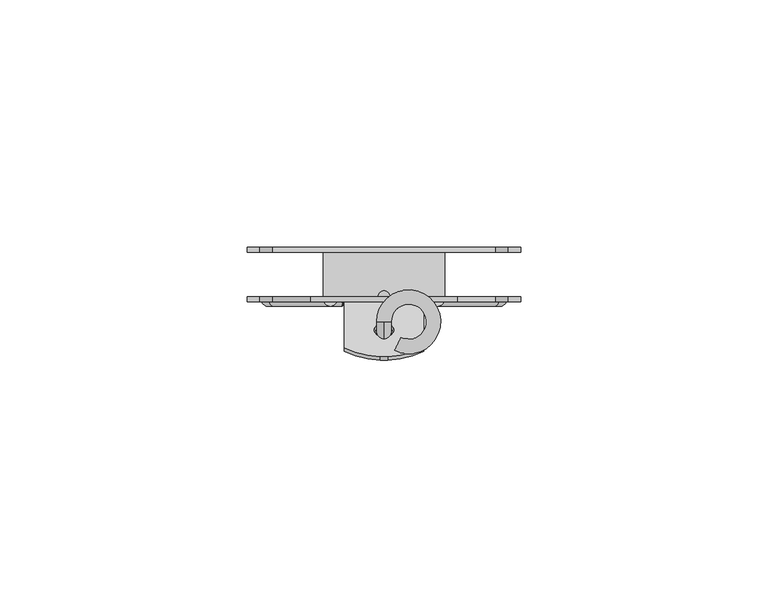
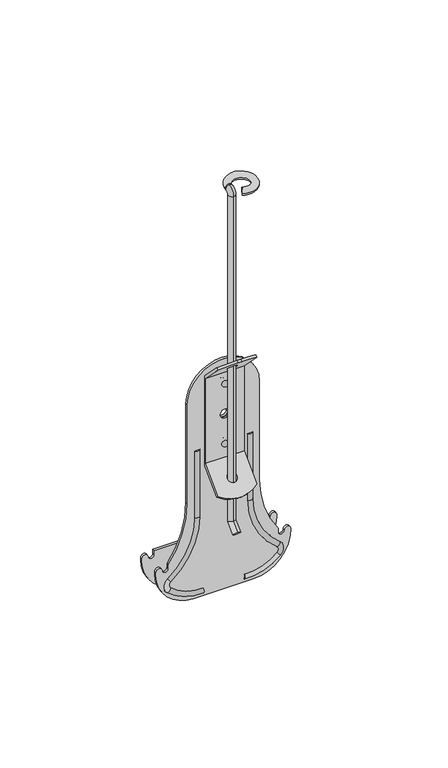
"""IFC4 building model written with IfcOpenShell, lengths in millimetres: proxy geometry."""

import ifcopenshell
import ifcopenshell.guid

model = None  # the IFC model being written
_history = None  # IfcOwnerHistory: only IFC2X3 demands one
_inside = {}  # id of a spatial element -> (the spatial element, [elements in it])
_under = {}  # id of a project, library or spatial element -> (it, [spatial elements below it])
_declared = {}  # id of a project -> (the project, [libraries it declares])
_typed = {}  # id of a type object -> (the type object, [elements of that type])
_made_of = {}  # id of a material, layer set ... -> (it, [elements and type objects made of it])


def new_model(schema):
    """Start an empty IFC model of exactly this schema.

    Asked for "IFC4X3", IfcOpenShell would pick the latest addendum, in which some entities
    have other attributes; the version numbers below select the first issue.
    IFC2X3 requires an IfcOwnerHistory on every rooted entity: one is made here for all.
    """
    global model, _history
    if schema == "IFC4X3":
        model = ifcopenshell.file(schema_version=(4, 3, 0, 0))
    else:
        model = ifcopenshell.file(schema=schema)
    _inside.clear()
    _under.clear()
    _declared.clear()
    _typed.clear()
    _made_of.clear()
    _history = None
    if model.schema == "IFC2X3":
        org = make("IfcOrganization", Name="unknown")
        user = make(
            "IfcPersonAndOrganization",
            ThePerson=make("IfcPerson", FamilyName="unknown"),
            TheOrganization=org,
        )
        app = make(
            "IfcApplication",
            ApplicationDeveloper=org,
            Version="unknown",
            ApplicationFullName="unknown",
            ApplicationIdentifier="unknown",
        )
        _history = make(
            "IfcOwnerHistory",
            OwningUser=user,
            OwningApplication=app,
            ChangeAction="ADDED",
            CreationDate=0,
        )
    return model


def make(cls, **values):
    """One entity of the class cls with the attributes given. An attribute that is None is left unset."""
    return model.create_entity(
        cls, **{name: value for name, value in values.items() if value is not None}
    )


def rooted(cls, **values):
    """An entity with a GlobalId (a new one), such as an element, a storey or a relation."""
    return make(cls, GlobalId=ifcopenshell.guid.new(), OwnerHistory=_history, **values)


def si_unit(unit_type, name, prefix=None):
    """IfcSIUnit, for example si_unit("LENGTHUNIT", "METRE", prefix="MILLI")."""
    return make("IfcSIUnit", UnitType=unit_type, Prefix=prefix, Name=name)


def assignment(units):
    """IfcUnitAssignment: the units of a project."""
    return None if units is None else make("IfcUnitAssignment", Units=units)


def point(xyz):
    """IfcCartesianPoint."""
    return None if xyz is None else make("IfcCartesianPoint", Coordinates=xyz)


def direction(xyz):
    """IfcDirection."""
    return None if xyz is None else make("IfcDirection", DirectionRatios=xyz)


def frame(location, z_axis=None, x_axis=None):
    """IfcAxis2Placement3D, a coordinate frame: its origin and axes. An axis left out is left unset."""
    return make(
        "IfcAxis2Placement3D",
        Location=point(location),
        Axis=direction(z_axis),
        RefDirection=direction(x_axis),
    )


def origin():
    """The frame at (0, 0, 0) with its axes left unset."""
    return frame((0.0, 0.0, 0.0))


def place(relative_to, where):
    """IfcLocalPlacement: puts the frame where relative to a parent placement (None: the world)."""
    return make(
        "IfcLocalPlacement", PlacementRelTo=relative_to, RelativePlacement=where
    )


def context(
    kind, dimensions, precision=None, world=None, true_north=None, identifier=None
):
    """IfcGeometricRepresentationContext, for example the 3D "Model" context."""
    return make(
        "IfcGeometricRepresentationContext",
        ContextIdentifier=identifier,
        ContextType=kind,
        CoordinateSpaceDimension=dimensions,
        Precision=precision,
        WorldCoordinateSystem=world,
        TrueNorth=true_north,
    )


def project(units=None, contexts=None):
    """IfcProject with its units and contexts."""
    return rooted(
        "IfcProject",
        Name="project",
        RepresentationContexts=contexts,
        UnitsInContext=assignment(units),
    )


def spatial(cls, under=None, at=None, **own):
    """A site, building, storey or space (cls), placed at a placement, below another one or the project."""
    s = rooted(cls, ObjectPlacement=at, **own)
    if under is not None:
        _under.setdefault(under.id(), (under, []))[1].append(s)
    return s


def polyline(points):
    """IfcPolyline through the points."""
    return make("IfcPolyline", Points=[point(p) for p in points])


def circle_curve(where, radius):
    """IfcCircle in the frame where."""
    return make("IfcCircle", Position=where, Radius=radius)


def ellipse_curve(where, semi_axis1, semi_axis2):
    """IfcEllipse in the frame where."""
    return make(
        "IfcEllipse", Position=where, SemiAxis1=semi_axis1, SemiAxis2=semi_axis2
    )


def trimmed(basis, trim1, trim2, sense, master):
    """IfcTrimmedCurve: the piece of a basis curve between two trims."""
    return make(
        "IfcTrimmedCurve",
        BasisCurve=basis,
        Trim1=trim1,
        Trim2=trim2,
        SenseAgreement=sense,
        MasterRepresentation=master,
    )


def shape(context_of_items, identifier, shape_type, items):
    """IfcShapeRepresentation: the items that make up one representation, for example the "Body"."""
    return make(
        "IfcShapeRepresentation",
        ContextOfItems=context_of_items,
        RepresentationIdentifier=identifier,
        RepresentationType=shape_type,
        Items=items,
    )


def source(mapping_origin, context_of_items, identifier, shape_type, items):
    """IfcRepresentationMap: a shape defined once, which mapped items show again and again."""
    return make(
        "IfcRepresentationMap",
        MappingOrigin=mapping_origin,
        MappedRepresentation=shape(context_of_items, identifier, shape_type, items),
    )


def transform(
    local_origin,
    x_axis=None,
    y_axis=None,
    z_axis=None,
    scale=None,
    scale2=None,
    scale3=None,
    uniform=True,
):
    """IfcCartesianTransformationOperator3D, or its non-uniform kind. x_axis, y_axis, z_axis: its Axis1, 2, 3."""
    if uniform:
        return make(
            "IfcCartesianTransformationOperator3D",
            Axis1=direction(x_axis),
            Axis2=direction(y_axis),
            LocalOrigin=point(local_origin),
            Scale=scale,
            Axis3=direction(z_axis),
        )
    return make(
        "IfcCartesianTransformationOperator3DnonUniform",
        Axis1=direction(x_axis),
        Axis2=direction(y_axis),
        LocalOrigin=point(local_origin),
        Scale=scale,
        Axis3=direction(z_axis),
        Scale2=scale2,
        Scale3=scale3,
    )


def mapped(mapping_source, mapping_target):
    """IfcMappedItem: shows the shape of a source again, moved by a transform."""
    return make(
        "IfcMappedItem", MappingSource=mapping_source, MappingTarget=mapping_target
    )


def made_of(thing, what):
    """Note that an element or type object is made of a material, layer set ...; save() writes the relation."""
    if what is not None:
        _made_of.setdefault(what.id(), (what, []))[1].append(thing)
    return thing


def element(
    cls,
    number,
    at=None,
    inside=None,
    cuts=None,
    type_object=None,
    material=None,
    context=None,
    identifier="Body",
    shape_type=None,
    held_by="IfcProductDefinitionShape",
    body=None,
    shapes=None,
    **own,
):
    """One element of the class cls, such as IfcWall. Its Tag is "e" and its number.

    at: its placement. inside: the storey or other place that contains it. cuts: it is an
    opening in that element (IfcRelVoidsElement). A single representation is given by context,
    identifier, shape_type and body (its items); several are given by shapes. held_by: the class
    of the entity that holds the representations. save() writes the other relations.
    """
    e = rooted(cls, Tag="e%d" % number, ObjectPlacement=at, **own)
    if body is not None:
        shapes = [shape(context, identifier, shape_type, body)]
    if shapes is not None:
        e.Representation = make(held_by, Representations=shapes)
    if inside is not None:
        _inside.setdefault(inside.id(), (inside, []))[1].append(e)
    if cuts is not None:
        rooted(
            "IfcRelVoidsElement", RelatingBuildingElement=cuts, RelatedOpeningElement=e
        )
    if type_object is not None:
        _typed.setdefault(type_object.id(), (type_object, []))[1].append(e)
    return made_of(e, material)


def aggregate(whole, parts):
    """IfcRelAggregates: a whole, such as a stair, and the parts it consists of."""
    return rooted("IfcRelAggregates", RelatingObject=whole, RelatedObjects=parts)


def save(model, path):
    """Write the relations noted so far, then the file.

    IfcRelAggregates (storeys below a building ...), IfcRelContainedInSpatialStructure (elements
    in a storey), IfcRelDefinesByType, IfcRelAssociatesMaterial and IfcRelDeclares: one each for
    every whole, place, type object, material and project.
    """
    for whole, parts in _under.values():
        aggregate(whole, parts)
    for where, things in _inside.values():
        rooted(
            "IfcRelContainedInSpatialStructure",
            RelatedElements=things,
            RelatingStructure=where,
        )
    for kind, things in _typed.values():
        rooted("IfcRelDefinesByType", RelatedObjects=things, RelatingType=kind)
    for what, things in _made_of.values():
        rooted("IfcRelAssociatesMaterial", RelatedObjects=things, RelatingMaterial=what)
    for by, libraries in _declared.values():
        rooted("IfcRelDeclares", RelatingContext=by, RelatedDefinitions=libraries)
    model.write(path)


def plane_surface(at):
    """IfcPlane: the flat surface through the origin of the frame at, square to its z axis."""
    return make("IfcPlane", Position=at)


def cylinder_surface(at, radius):
    """IfcCylindricalSurface: all points at the distance radius from the z axis of the frame at."""
    return make("IfcCylindricalSurface", Position=at, Radius=radius)


def revolved_surface(curve, axis_point, axis_direction):
    """IfcSurfaceOfRevolution: the curve turned about the line through axis_point along axis_direction."""
    return make(
        "IfcSurfaceOfRevolution",
        SweptCurve=make("IfcArbitraryOpenProfileDef", ProfileType="CURVE", Curve=curve),
        AxisPosition=make("IfcAxis1Placement", Location=point(axis_point), Axis=direction(axis_direction)),
    )


def advanced_brep(points, edges, surfaces, faces):
    """IfcAdvancedBrep: a solid bounded by faces that lie on surfaces and meet in shared edges.

    An edge is (start, end): straight between two places in points (the first is 0);
    or (start, end, curve); or (start, end, curve, False) where it runs against its curve.
    A face is (place in surfaces, loops), or (place, loops, False) where it looks against
    its surface's normal. A loop lists edges by number (the first is 1), with a minus sign
    where the edge is run from its end to its start. The first loop is the outer one.
    """
    corners = [point(p) for p in points]
    vertices = [make("IfcVertexPoint", VertexGeometry=c) for c in corners]
    made = []
    for start, end, *more in edges:
        made.append(
            make(
                "IfcEdgeCurve",
                EdgeStart=vertices[start],
                EdgeEnd=vertices[end],
                EdgeGeometry=more[0] if more else make("IfcPolyline", Points=[corners[start], corners[end]]),
                SameSense=more[1] if len(more) > 1 else True,
            )
        )
    hull = []
    for where, loops, *sense in faces:
        bounds = []
        for j, loop in enumerate(loops):
            ring = [make("IfcOrientedEdge", EdgeElement=made[abs(k) - 1], Orientation=k > 0) for k in loop]
            bounds.append(
                make(
                    "IfcFaceOuterBound" if j == 0 else "IfcFaceBound",
                    Bound=make("IfcEdgeLoop", EdgeList=ring),
                    Orientation=True,
                )
            )
        hull.append(make("IfcAdvancedFace", Bounds=bounds, FaceSurface=surfaces[where], SameSense=sense[0] if sense else True))
    return make("IfcAdvancedBrep", Outer=make("IfcClosedShell", CfsFaces=hull))


def generic_models_5f2788f5(model_context):
    return source(origin(), model_context, "Body", "AdvancedBrep", [
        advanced_brep(
        [(1.4615158, -4.5763756, 158.5411196), (-1.4562451, -4.5763756, 158.5411196), (3.4485103, -7.758234, 158.5411196), (2.1679647, -10.3799761, 158.5411196)],
        [
            (0, 1, circle_curve(frame((0.0026354, -4.5763756, 158.5411196), z_axis=(0.0, -1.0, 0.0), x_axis=(-1.0, 0.0, 0.0)), 1.4588804)),
            (1, 0, circle_curve(frame((0.0026354, -4.5763756, 158.5411196), z_axis=(0.0, -1.0, 0.0), x_axis=(-1.0, 0.0, 0.0)), 1.4588804)),
            (2, 3, circle_curve(frame((2.8082375, -9.069105, 158.5411196), z_axis=(-0.898545892359539, 0.4388795726891374, 0.0), x_axis=(-0.4388795726891374, -0.898545892359539, 0.0)), 1.4588804)),
            (3, 2, circle_curve(frame((2.8082375, -9.069105, 158.5411196), z_axis=(-0.898545892359539, 0.4388795726891374, 0.0), x_axis=(-0.4388795726891374, -0.898545892359539, 0.0)), 1.4588804)),
            (3, 1, circle_curve(frame((5.0026354, -4.5763756, 158.5411196), z_axis=(0.0, 0.0, 1.0), x_axis=(-1.0, 0.0, 0.0)), 6.4588804)),
            (0, 2, circle_curve(frame((5.0026354, -4.5763756, 158.5411196), z_axis=(0.0, 0.0, -1.0), x_axis=(-1.0, 0.0, 0.0)), 3.5411196)),
        ],
        [
            plane_surface(frame((0.0026354, -4.5763756, 160.0), z_axis=(0.0, -1.0, 0.0), x_axis=(0.0, 0.0, 1.0))),
            plane_surface(frame((2.8082375, -9.069105, 160.0), z_axis=(-0.8985458923595391, 0.4388795726891375, 0.0), x_axis=(0.0, 0.0, 1.0))),
            revolved_surface(trimmed(ellipse_curve(frame((0.0026354, -4.5763756, 158.5411196), z_axis=(0.0, -1.0, 0.0), x_axis=(-1.0, 0.0, 0.0)), 1.4588804, 1.4588804), [point((1.4615158, -4.5763756, 158.5411196))], [point((-1.4562451, -4.5763756, 158.5411196))], True, "CARTESIAN"), (5.0026354, -4.5763756, 160.0), (0.0, 0.0, -1.0)),
            revolved_surface(trimmed(ellipse_curve(frame((0.0026354, -4.5763756, 158.5411196), z_axis=(0.0, -1.0, 0.0), x_axis=(-1.0, 0.0, 0.0)), 1.4588804, 1.4588804), [point((-1.4562451, -4.5763756, 158.5411196))], [point((1.4615158, -4.5763756, 158.5411196))], True, "CARTESIAN"), (5.0026354, -4.5763756, 160.0), (0.0, 0.0, -1.0)),
        ],
        [
            (0, [[1, 2]]),
            (1, [[3, 4]]),
            (2, [[5, -1, 6, -4]]),
            (3, [[-6, -2, -5, -3]]),
        ],
    ),
        advanced_brep(
        [(0.0, -9.0821887, 10.4347453), (0.0, -11.1416303, 12.4941869), (0.0, -5.1201305, 14.3968035), (0.0, -8.0326207, 15.6031965), (0.0, -5.1201305, 156.5), (0.0, -8.0326207, 156.5), (0.0, -4.5763756, 157.0437549), (0.0, -4.5763756, 159.9562451)],
        [
            (0, 1, circle_curve(frame((0.0, -10.1119095, 11.4644661), z_axis=(0.0, -0.7071067811865482, -0.7071067811865469), x_axis=(0.0, -0.7071067811865469, 0.7071067811865482)), 1.4562451)),
            (1, 0, circle_curve(frame((0.0, -10.1119095, 11.4644661), z_axis=(0.0, -0.7071067811865482, -0.7071067811865469), x_axis=(0.0, -0.7071067811865469, 0.7071067811865482)), 1.4562451)),
            (0, 2),
            (2, 3, ellipse_curve(frame((0.0, -6.5763756, 15.0), z_axis=(0.0, -0.3826834323650901, -0.9238795325112865), x_axis=(0.0, -0.923879532511287, 0.3826834323650897)), 1.5762283, 1.4562451)),
            (3, 1),
            (3, 2, ellipse_curve(frame((0.0, -6.5763756, 15.0), z_axis=(0.0, -0.3826834323650901, -0.9238795325112865), x_axis=(0.0, -0.923879532511287, 0.3826834323650897)), 1.5762283, 1.4562451)),
            (2, 4),
            (4, 5, circle_curve(frame((0.0, -6.5763756, 156.5), z_axis=(0.0, 0.0, -1.0), x_axis=(0.0, -1.0, 0.0)), 1.4562451)),
            (5, 3),
            (5, 4, circle_curve(frame((0.0, -6.5763756, 156.5), z_axis=(0.0, 0.0, -1.0), x_axis=(0.0, -1.0, 0.0)), 1.4562451)),
            (6, 7, circle_curve(frame((0.0, -4.5763756, 158.5), z_axis=(0.0, 1.0, 0.0), x_axis=(0.0, 0.0, 1.0)), 1.4562451)),
            (7, 6, circle_curve(frame((0.0, -4.5763756, 158.5), z_axis=(0.0, 1.0, 0.0), x_axis=(0.0, 0.0, 1.0)), 1.4562451)),
            (7, 5, circle_curve(frame((0.0, -4.5763756, 156.5), z_axis=(1.0, 0.0, 0.0), x_axis=(0.0, -1.0, 0.0)), 3.4562451)),
            (4, 6, circle_curve(frame((0.0, -4.5763756, 156.5), z_axis=(-1.0, 0.0, 0.0), x_axis=(0.0, -1.0, 0.0)), 0.5437549)),
        ],
        [
            plane_surface(frame((0.0, -10.1119095, 11.4644661), z_axis=(0.0, -0.7071067811865482, -0.7071067811865469), x_axis=(1.0, 0.0, 0.0))),
            cylinder_surface(frame((0.0, -10.1119095, 11.4644661), z_axis=(0.0, -0.7071067811865482, -0.7071067811865469), x_axis=(0.0, -0.7071067811865469, 0.7071067811865482)), 1.4562451),
            cylinder_surface(frame((0.0, -6.5763756, 15.0), z_axis=(0.0, 0.0, -1.0), x_axis=(0.0, -1.0, 0.0)), 1.4562451),
            plane_surface(frame((0.0, -4.5763756, 158.5), z_axis=(0.0, 1.0, 0.0), x_axis=(1.0, 0.0, 0.0))),
            revolved_surface(trimmed(ellipse_curve(frame((0.0, -6.5763756, 156.5), z_axis=(0.0, 0.0, -1.0), x_axis=(0.0, -1.0, 0.0)), 1.4562451, 1.4562451), [point((0.0, -5.1201305, 156.5))], [point((0.0, -8.0326207, 156.5))], True, "CARTESIAN"), (0.0, -4.5763756, 156.5), (-1.0, 0.0, 0.0)),
            revolved_surface(trimmed(ellipse_curve(frame((0.0, -6.5763756, 156.5), z_axis=(0.0, 0.0, -1.0), x_axis=(0.0, -1.0, 0.0)), 1.4562451, 1.4562451), [point((0.0, -8.0326207, 156.5))], [point((0.0, -5.1201305, 156.5))], True, "CARTESIAN"), (0.0, -4.5763756, 156.5), (-1.0, 0.0, 0.0)),
        ],
        [
            (0, [[1, 2]]),
            (1, [[-1, 3, 4, 5]]),
            (1, [[-2, -5, 6, -3]]),
            (2, [[-4, 7, 8, 9]]),
            (2, [[-6, -9, 10, -7]]),
            (3, [[11, 12]]),
            (4, [[13, -8, 14, -12]]),
            (5, [[-14, -10, -13, -11]]),
        ],
    ),
        advanced_brep(
        [(12.3125406, 0.5, -18.3083515), (12.3125406, 9.5, -18.3083515), (12.3125406, 9.5, -17.3083515), (12.3125406, 0.5, -17.3083515), (-12.3125406, 9.5, -17.3083515), (-12.3125406, 0.5, -17.3083515), (-12.3125406, 9.5, -18.3083515), (-12.3125406, 0.5, -18.3083515), (12.3125406, -0.5, -18.3083515), (-12.3125406, -0.5, -18.3083515), (-12.3125406, 10.5, -18.3083515), (12.3125406, 10.5, -18.3083515), (-14.8079038, -0.5, 23.7764129), (-22.5333287, -0.5, 0.0), (-22.5333287, -0.5, -1.7519095), (-25.1521363, -0.5, -1.7519095), (-27.659329, -0.5, -1.7519095), (-27.659329, -0.5, -2.7244637), (27.659329, -0.5, -2.7244637), (27.659329, -0.5, -1.7519095), (25.1521363, -0.5, -1.7519095), (22.5333287, -0.5, -1.7519095), (22.5333287, -0.5, 0.0), (14.8079038, -0.5, 23.7764129), (14.8079038, -0.5, 66.6922037), (-14.8079038, -0.5, 66.6922037), (-1.8679865, -0.5, 58.4017665), (1.8679865, -0.5, 58.4017665), (-14.8079038, 0.5, 23.7764129), (-14.8079038, 0.5, 66.6922037), (14.8079038, 0.5, 66.6922037), (14.8079038, 0.5, 23.7764129), (22.5333287, 0.5, 0.0), (22.5333287, 0.5, -1.7519095), (25.1521363, 0.5, -1.7519095), (27.659329, 0.5, -1.7519095), (27.659329, 0.5, -2.7244637), (-27.659329, 0.5, -2.7244637), (-27.659329, 0.5, -1.7519095), (-25.1521363, 0.5, -1.7519095), (-22.5333287, 0.5, -1.7519095), (-22.5333287, 0.5, 0.0), (-1.8679865, 0.5, 58.4017665), (1.8679865, 0.5, 58.4017665), (-22.5333287, 9.5, -1.7519095), (-25.1521363, 9.5, -1.7519095), (-27.659329, 9.5, -1.7519095), (-27.659329, 9.5, -2.7244637), (27.659329, 9.5, -2.7244637), (27.659329, 9.5, -1.7519095), (25.1521363, 9.5, -1.7519095), (22.5333287, 9.5, -1.7519095), (22.5333287, 9.5, 0.0), (-22.5333287, 9.5, 0.0), (-22.5333287, 10.5, -1.7519095), (-22.5333287, 10.5, 0.0), (22.5333287, 10.5, 0.0), (22.5333287, 10.5, -1.7519095), (25.1521363, 10.5, -1.7519095), (27.659329, 10.5, -1.7519095), (27.659329, 10.5, -2.7244637), (-27.659329, 10.5, -2.7244637), (-27.659329, 10.5, -1.7519095), (-25.1521363, 10.5, -1.7519095)],
        [
            (0, 1),
            (1, 2),
            (2, 3),
            (3, 0),
            (2, 4),
            (4, 5),
            (5, 3),
            (4, 6),
            (6, 7),
            (7, 5),
            (0, 8),
            (8, 9),
            (9, 7),
            (6, 10),
            (10, 11),
            (11, 1),
            (12, 13, circle_curve(frame((-55.2587535, -0.5, 23.7764129), z_axis=(0.0, 1.0, 0.0), x_axis=(1.0, 0.0, 0.0)), 40.4508497)),
            (13, 14),
            (14, 15, circle_curve(frame((-23.8427325, -0.5, -1.7519095), z_axis=(0.0, 1.0, 0.0), x_axis=(1.0, 0.0, 0.0)), 1.3094038)),
            (15, 16, circle_curve(frame((-26.4057327, -0.5, -1.7519095), z_axis=(0.0, -1.0, 0.0), x_axis=(1.0, 0.0, 0.0)), 1.2535963)),
            (16, 17),
            (17, 9, circle_curve(frame((-12.0736096, -0.5, -2.7244637), z_axis=(0.0, -1.0, 0.0), x_axis=(1.0, 0.0, 0.0)), 15.5857194)),
            (8, 18, circle_curve(frame((12.0736096, -0.5, -2.7244637), z_axis=(0.0, -1.0, 0.0), x_axis=(-1.0, 0.0, 0.0)), 15.5857194)),
            (18, 19),
            (19, 20, circle_curve(frame((26.4057327, -0.5, -1.7519095), z_axis=(0.0, -1.0, 0.0), x_axis=(-1.0, 0.0, 0.0)), 1.2535963)),
            (20, 21, circle_curve(frame((23.8427325, -0.5, -1.7519095), z_axis=(0.0, 1.0, 0.0), x_axis=(-1.0, 0.0, 0.0)), 1.3094038)),
            (21, 22),
            (22, 23, circle_curve(frame((55.2587535, -0.5, 23.7764129), z_axis=(0.0, 1.0, 0.0), x_axis=(1.0, 0.0, 0.0)), 40.4508497)),
            (23, 24),
            (24, 25, circle_curve(frame((0.0, -0.5, 66.6922037), z_axis=(0.0, -1.0, 0.0), x_axis=(1.0, 0.0, 0.0)), 14.8079038)),
            (25, 12),
            (26, 27, circle_curve(frame((0.0, -0.5, 58.4017665), z_axis=(0.0, 1.0, 0.0), x_axis=(1.0, 0.0, 0.0)), 1.8679865)),
            (27, 26, circle_curve(frame((0.0, -0.5, 58.4017665), z_axis=(0.0, 1.0, 0.0), x_axis=(1.0, 0.0, 0.0)), 1.8679865)),
            (28, 29),
            (29, 30, circle_curve(frame((0.0, 0.5, 66.6922037), z_axis=(0.0, 1.0, 0.0), x_axis=(1.0, 0.0, 0.0)), 14.8079038)),
            (30, 31),
            (31, 32, circle_curve(frame((55.2587535, 0.5, 23.7764129), z_axis=(0.0, -1.0, 0.0), x_axis=(1.0, 0.0, 0.0)), 40.4508497)),
            (32, 33),
            (33, 34, circle_curve(frame((23.8427325, 0.5, -1.7519095), z_axis=(0.0, -1.0, 0.0), x_axis=(-1.0, 0.0, 0.0)), 1.3094038)),
            (34, 35, circle_curve(frame((26.4057327, 0.5, -1.7519095), z_axis=(0.0, 1.0, 0.0), x_axis=(-1.0, 0.0, 0.0)), 1.2535963)),
            (35, 36),
            (36, 0, circle_curve(frame((12.0736096, 0.5, -2.7244637), z_axis=(0.0, 1.0, 0.0), x_axis=(-1.0, 0.0, 0.0)), 15.5857194)),
            (7, 37, circle_curve(frame((-12.0736096, 0.5, -2.7244637), z_axis=(0.0, 1.0, 0.0), x_axis=(1.0, 0.0, 0.0)), 15.5857194)),
            (37, 38),
            (38, 39, circle_curve(frame((-26.4057327, 0.5, -1.7519095), z_axis=(0.0, 1.0, 0.0), x_axis=(1.0, 0.0, 0.0)), 1.2535963)),
            (39, 40, circle_curve(frame((-23.8427325, 0.5, -1.7519095), z_axis=(0.0, -1.0, 0.0), x_axis=(1.0, 0.0, 0.0)), 1.3094038)),
            (40, 41),
            (41, 28, circle_curve(frame((-55.2587535, 0.5, 23.7764129), z_axis=(0.0, -1.0, 0.0), x_axis=(1.0, 0.0, 0.0)), 40.4508497)),
            (42, 43, circle_curve(frame((0.0, 0.5, 58.4017665), z_axis=(0.0, -1.0, 0.0), x_axis=(1.0, 0.0, 0.0)), 1.8679865)),
            (43, 42, circle_curve(frame((0.0, 0.5, 58.4017665), z_axis=(0.0, -1.0, 0.0), x_axis=(1.0, 0.0, 0.0)), 1.8679865)),
            (13, 41),
            (40, 14),
            (39, 15),
            (38, 16),
            (37, 17),
            (36, 18),
            (35, 19),
            (34, 20),
            (33, 21),
            (32, 22),
            (23, 31),
            (30, 24),
            (29, 25),
            (28, 12),
            (26, 42),
            (43, 27),
            (44, 45, circle_curve(frame((-23.8427325, 9.5, -1.7519095), z_axis=(0.0, 1.0, 0.0), x_axis=(1.0, 0.0, 0.0)), 1.3094038)),
            (45, 46, circle_curve(frame((-26.4057327, 9.5, -1.7519095), z_axis=(0.0, -1.0, 0.0), x_axis=(1.0, 0.0, 0.0)), 1.2535963)),
            (46, 47),
            (47, 6, circle_curve(frame((-12.0736096, 9.5, -2.7244637), z_axis=(0.0, -1.0, 0.0), x_axis=(1.0, 0.0, 0.0)), 15.5857194)),
            (1, 48, circle_curve(frame((12.0736096, 9.5, -2.7244637), z_axis=(0.0, -1.0, 0.0), x_axis=(-1.0, 0.0, 0.0)), 15.5857194)),
            (48, 49),
            (49, 50, circle_curve(frame((26.4057327, 9.5, -1.7519095), z_axis=(0.0, -1.0, 0.0), x_axis=(-1.0, 0.0, 0.0)), 1.2535963)),
            (50, 51, circle_curve(frame((23.8427325, 9.5, -1.7519095), z_axis=(0.0, 1.0, 0.0), x_axis=(-1.0, 0.0, 0.0)), 1.3094038)),
            (51, 52),
            (52, 53),
            (53, 44),
            (54, 55),
            (55, 56),
            (56, 57),
            (57, 58, circle_curve(frame((23.8427325, 10.5, -1.7519095), z_axis=(0.0, -1.0, 0.0), x_axis=(-1.0, 0.0, 0.0)), 1.3094038)),
            (58, 59, circle_curve(frame((26.4057327, 10.5, -1.7519095), z_axis=(0.0, 1.0, 0.0), x_axis=(-1.0, 0.0, 0.0)), 1.2535963)),
            (59, 60),
            (60, 11, circle_curve(frame((12.0736096, 10.5, -2.7244637), z_axis=(0.0, 1.0, 0.0), x_axis=(-1.0, 0.0, 0.0)), 15.5857194)),
            (10, 61, circle_curve(frame((-12.0736096, 10.5, -2.7244637), z_axis=(0.0, 1.0, 0.0), x_axis=(1.0, 0.0, 0.0)), 15.5857194)),
            (61, 62),
            (62, 63, circle_curve(frame((-26.4057327, 10.5, -1.7519095), z_axis=(0.0, 1.0, 0.0), x_axis=(1.0, 0.0, 0.0)), 1.2535963)),
            (63, 54, circle_curve(frame((-23.8427325, 10.5, -1.7519095), z_axis=(0.0, -1.0, 0.0), x_axis=(1.0, 0.0, 0.0)), 1.3094038)),
            (53, 55),
            (54, 44),
            (63, 45),
            (62, 46),
            (61, 47),
            (60, 48),
            (59, 49),
            (58, 50),
            (57, 51),
            (56, 52),
        ],
        [
            plane_surface(frame((12.3125406, 0.5, -18.3083515), z_axis=(1.0, 0.0, 0.0), x_axis=(0.0, 1.0, 0.0))),
            plane_surface(frame((12.3125406, 0.5, -17.3083515), z_axis=(0.0, 0.0, 1.0), x_axis=(0.0, 1.0, 0.0))),
            plane_surface(frame((-12.3125406, 0.5, -17.3083515), z_axis=(-1.0, 0.0, 0.0), x_axis=(0.0, 1.0, 0.0))),
            plane_surface(frame((-12.3125406, 0.5, -18.3083515), z_axis=(0.0, 0.0, -1.0), x_axis=(0.0, 1.0, 0.0))),
            plane_surface(frame((-14.8079038, -0.5, 23.7764129), z_axis=(0.0, -1.0, 0.0), x_axis=(0.0, 0.0, -1.0))),
            plane_surface(frame((-14.8079038, 0.5, 23.7764129), z_axis=(0.0, 1.0, 0.0), x_axis=(0.0, 0.0, 1.0))),
            plane_surface(frame((-22.5333287, -0.5, 0.0), z_axis=(-1.0, 0.0, 0.0), x_axis=(0.0, 1.0, 0.0))),
            revolved_surface(polyline([(-22.533328700000002, 0.5, -1.7519095), (-22.533328700000002, -0.5, -1.7519095)]), (-23.8427325, 0.5, -1.7519095), (0.0, 1.0, 0.0)),
            cylinder_surface(frame((-26.4057327, 0.5, -1.7519095), z_axis=(0.0, -1.0, 0.0), x_axis=(1.0, 0.0, 0.0)), 1.2535963),
            plane_surface(frame((-27.659329, -0.5, -1.7519095), z_axis=(-1.0, 0.0, 0.0), x_axis=(0.0, 1.0, 0.0))),
            cylinder_surface(frame((-12.0736096, 0.5, -2.7244637), z_axis=(0.0, -1.0, 0.0), x_axis=(1.0, 0.0, 0.0)), 15.5857194),
            cylinder_surface(frame((12.0736096, 0.5, -2.7244637), z_axis=(0.0, -1.0, 0.0), x_axis=(-1.0, 0.0, 0.0)), 15.5857194),
            plane_surface(frame((27.659329, -0.5, -2.7244637), z_axis=(1.0, 0.0, 0.0), x_axis=(0.0, 1.0, 0.0))),
            cylinder_surface(frame((26.4057327, 0.5, -1.7519095), z_axis=(0.0, -1.0, 0.0), x_axis=(-1.0, 0.0, 0.0)), 1.2535963),
            revolved_surface(polyline([(22.533328700000002, 0.5, -1.7519095), (22.533328700000002, -0.5, -1.7519095)]), (23.8427325, 0.5, -1.7519095), (0.0, 1.0, 0.0)),
            plane_surface(frame((22.5333287, -0.5, -1.7519095), z_axis=(1.0, 0.0, 0.0), x_axis=(0.0, 1.0, 0.0))),
            plane_surface(frame((14.8079038, -0.5, 23.7764129), z_axis=(1.0, 0.0, 0.0), x_axis=(0.0, 1.0, 0.0))),
            cylinder_surface(frame((0.0, 0.5, 66.6922037), z_axis=(0.0, -1.0, 0.0), x_axis=(1.0, 0.0, 0.0)), 14.8079038),
            plane_surface(frame((-14.8079038, -0.5, 66.6922037), z_axis=(-1.0, 0.0, 0.0), x_axis=(0.0, 1.0, 0.0))),
            revolved_surface(polyline([(-14.807903799999998, 0.5, 23.7764129), (-14.807903799999998, -0.5, 23.7764129)]), (-55.2587535, 0.5, 23.7764129), (0.0, 1.0, 0.0)),
            revolved_surface(polyline([(95.7096032, 0.5, 23.7764129), (95.7096032, -0.5, 23.7764129)]), (55.2587535, 0.5, 23.7764129), (0.0, 1.0, 0.0)),
            revolved_surface(polyline([(1.8679865, 0.5, 58.4017665), (1.8679865, -0.5, 58.4017665)]), (0.0, 0.0, 58.4017665), (0.0, 1.0, 0.0)),
            plane_surface(frame((-22.5333287, 9.5, -1.7519095), z_axis=(0.0, -1.0, 0.0), x_axis=(0.0, 0.0, -1.0))),
            plane_surface(frame((-22.5333287, 10.5, -1.7519095), z_axis=(0.0, 1.0, 0.0), x_axis=(0.0, 0.0, 1.0))),
            plane_surface(frame((-22.5333287, 9.5, 0.0), z_axis=(-1.0, 0.0, 0.0), x_axis=(0.0, 1.0, 0.0))),
            revolved_surface(polyline([(-22.533328700000002, 10.5, -1.7519095), (-22.533328700000002, 9.5, -1.7519095)]), (-23.8427325, 10.5, -1.7519095), (0.0, 1.0, 0.0)),
            cylinder_surface(frame((-26.4057327, 10.5, -1.7519095), z_axis=(0.0, -1.0, 0.0), x_axis=(1.0, 0.0, 0.0)), 1.2535963),
            plane_surface(frame((-27.659329, 9.5, -1.7519095), z_axis=(-1.0, 0.0, 0.0), x_axis=(0.0, 1.0, 0.0))),
            cylinder_surface(frame((-12.0736096, 10.5, -2.7244637), z_axis=(0.0, -1.0, 0.0), x_axis=(1.0, 0.0, 0.0)), 15.5857194),
            cylinder_surface(frame((12.0736096, 10.5, -2.7244637), z_axis=(0.0, -1.0, 0.0), x_axis=(-1.0, 0.0, 0.0)), 15.5857194),
            plane_surface(frame((27.659329, 9.5, -2.7244637), z_axis=(1.0, 0.0, 0.0), x_axis=(0.0, 1.0, 0.0))),
            cylinder_surface(frame((26.4057327, 10.5, -1.7519095), z_axis=(0.0, -1.0, 0.0), x_axis=(-1.0, 0.0, 0.0)), 1.2535963),
            revolved_surface(polyline([(22.533328700000002, 10.5, -1.7519095), (22.533328700000002, 9.5, -1.7519095)]), (23.8427325, 10.5, -1.7519095), (0.0, 1.0, 0.0)),
            plane_surface(frame((22.5333287, 9.5, -1.7519095), z_axis=(1.0, 0.0, 0.0), x_axis=(0.0, 1.0, 0.0))),
            plane_surface(frame((22.5333287, 9.5, 0.0), z_axis=(0.0, 0.0, 1.0), x_axis=(0.0, 1.0, 0.0))),
        ],
        [
            (0, [[1, 2, 3, 4]]),
            (1, [[-3, 5, 6, 7]]),
            (2, [[-6, 8, 9, 10]]),
            (3, [[-1, 11, 12, 13, -9, 14, 15, 16]]),
            (4, [[17, 18, 19, 20, 21, 22, -12, 23, 24, 25, 26, 27, 28, 29, 30, 31], [32, 33]]),
            (5, [[34, 35, 36, 37, 38, 39, 40, 41, 42, -4, -7, -10, 43, 44, 45, 46, 47, 48], [49, 50]]),
            (6, [[-18, 51, -47, 52]]),
            (7, [[-19, -52, -46, 53]]),
            (8, [[-20, -53, -45, 54]]),
            (9, [[-21, -54, -44, 55]]),
            (10, [[-22, -55, -43, -13]]),
            (11, [[-23, -11, -42, 56]]),
            (12, [[-24, -56, -41, 57]]),
            (13, [[-25, -57, -40, 58]]),
            (14, [[-26, -58, -39, 59]]),
            (15, [[-27, -59, -38, 60]]),
            (16, [[-29, 61, -36, 62]]),
            (17, [[-30, -62, -35, 63]]),
            (18, [[-31, -63, -34, 64]]),
            (19, [[-17, -64, -48, -51]]),
            (20, [[-28, -60, -37, -61]]),
            (21, [[-32, 65, -50, 66]]),
            (21, [[-33, -66, -49, -65]]),
            (22, [[67, 68, 69, 70, -8, -5, -2, 71, 72, 73, 74, 75, 76, 77]]),
            (23, [[78, 79, 80, 81, 82, 83, 84, -15, 85, 86, 87, 88]]),
            (24, [[-77, 89, -78, 90]]),
            (25, [[-67, -90, -88, 91]]),
            (26, [[-68, -91, -87, 92]]),
            (27, [[-69, -92, -86, 93]]),
            (28, [[-70, -93, -85, -14]]),
            (29, [[-71, -16, -84, 94]]),
            (30, [[-72, -94, -83, 95]]),
            (31, [[-73, -95, -82, 96]]),
            (32, [[-74, -96, -81, 97]]),
            (33, [[-75, -97, -80, 98]]),
            (34, [[-76, -98, -79, -89]]),
        ],
    ),
        advanced_brep(
        [(0.0, 0.5, 72.6289125), (0.0, 0.5, 70.2128266)],
        [
            (0, 1),
            (1, 0, circle_curve(frame((0.0, 0.5, 71.4208696), z_axis=(0.0, -1.0, 0.0), x_axis=(1.0, 0.0, 0.0)), 1.2080429)),
            (0, 1, circle_curve(frame((0.0, 0.5, 71.4208696), z_axis=(0.0, -1.0, 0.0), x_axis=(-1.0, 0.0, 0.0)), 1.2080429)),
        ],
        [
            plane_surface(frame((0.0, 0.5, 68.7718107), z_axis=(0.0, -1.0, 0.0), x_axis=(1.0, 0.0, 0.0))),
            plane_surface(frame((0.0, 0.5, 68.7718107), z_axis=(0.0, -1.0, 0.0), x_axis=(-1.0, 0.0, 0.0))),
            revolved_surface(trimmed(ellipse_curve(frame((0.0, 0.5, 71.4208696), z_axis=(0.0, 1.0, 0.0), x_axis=(1.0, 0.0, 0.0)), 1.2080429, 1.2080429), [point((0.0, 0.5, 72.6289125))], [point((0.0, 0.5, 70.2128266))], True, "CARTESIAN"), (0.0, 0.5, 68.7718107), (0.0, 0.0, -1.0)),
        ],
        [
            (0, [[1, 2]]),
            (1, [[3, -1]]),
            (2, [[-2, -3]]),
        ],
    ),
        advanced_brep(
        [(0.0, 0.5, 44.1746205), (0.0, 0.5, 46.5907064)],
        [
            (0, 1, circle_curve(frame((0.0, 0.5, 45.3826634), z_axis=(0.0, -1.0, 0.0), x_axis=(1.0, 0.0, 0.0)), 1.2080429)),
            (1, 0),
            (1, 0, circle_curve(frame((0.0, 0.5, 45.3826634), z_axis=(0.0, -1.0, 0.0), x_axis=(-1.0, 0.0, 0.0)), 1.2080429)),
        ],
        [
            plane_surface(frame((0.0, 0.5, 48.0317223), z_axis=(0.0, -1.0, 0.0), x_axis=(1.0, 0.0, 0.0))),
            plane_surface(frame((0.0, 0.5, 48.0317223), z_axis=(0.0, -1.0, 0.0), x_axis=(-1.0, 0.0, 0.0))),
            revolved_surface(trimmed(ellipse_curve(frame((0.0, 0.5, 45.3826634), z_axis=(0.0, 1.0, 0.0), x_axis=(1.0, 0.0, 0.0)), 1.2080429, 1.2080429), [point((0.0, 0.5, 46.5907064))], [point((0.0, 0.5, 44.1746205))], True, "CARTESIAN"), (0.0, 0.5, 48.0317223), (0.0, 0.0, -1.0)),
        ],
        [
            (0, [[1, 2]]),
            (1, [[3, -2]]),
            (2, [[-1, -3]]),
        ],
    ),
        advanced_brep(
        [(0.0, -1.5, 72.6289125), (0.0, -1.5, 70.2128266)],
        [
            (0, 1, circle_curve(frame((0.0, -1.5, 71.4208696), z_axis=(0.0, 1.0, 0.0), x_axis=(1.0, 0.0, 0.0)), 1.2080429)),
            (1, 0),
            (1, 0, circle_curve(frame((0.0, -1.5, 71.4208696), z_axis=(0.0, 1.0, 0.0), x_axis=(-1.0, 0.0, 0.0)), 1.2080429)),
        ],
        [
            plane_surface(frame((0.0, -1.5, 68.7718107), z_axis=(0.0, 1.0, 0.0), x_axis=(1.0, 0.0, 0.0))),
            plane_surface(frame((0.0, -1.5, 68.7718107), z_axis=(0.0, 1.0, 0.0), x_axis=(-1.0, 0.0, 0.0))),
            revolved_surface(trimmed(ellipse_curve(frame((0.0, -1.5, 71.4208696), z_axis=(0.0, -1.0, 0.0), x_axis=(1.0, 0.0, 0.0)), 1.2080429, 1.2080429), [point((0.0, -1.5, 70.2128266))], [point((0.0, -1.5, 72.6289125))], True, "CARTESIAN"), (0.0, -1.5, 68.7718107), (0.0, 0.0, 1.0)),
        ],
        [
            (0, [[1, 2]]),
            (1, [[3, -2]]),
            (2, [[-1, -3]]),
        ],
    ),
        advanced_brep(
        [(0.0, -1.5, 44.1746205), (0.0, -1.5, 46.5907064)],
        [
            (0, 1),
            (1, 0, circle_curve(frame((0.0, -1.5, 45.3826634), z_axis=(0.0, 1.0, 0.0), x_axis=(1.0, 0.0, 0.0)), 1.2080429)),
            (0, 1, circle_curve(frame((0.0, -1.5, 45.3826634), z_axis=(0.0, 1.0, 0.0), x_axis=(-1.0, 0.0, 0.0)), 1.2080429)),
        ],
        [
            plane_surface(frame((0.0, -1.5, 48.0317223), z_axis=(0.0, 1.0, 0.0), x_axis=(1.0, 0.0, 0.0))),
            plane_surface(frame((0.0, -1.5, 48.0317223), z_axis=(0.0, 1.0, 0.0), x_axis=(-1.0, 0.0, 0.0))),
            revolved_surface(trimmed(ellipse_curve(frame((0.0, -1.5, 45.3826634), z_axis=(0.0, -1.0, 0.0), x_axis=(1.0, 0.0, 0.0)), 1.2080429, 1.2080429), [point((0.0, -1.5, 44.1746205))], [point((0.0, -1.5, 46.5907064))], True, "CARTESIAN"), (0.0, -1.5, 48.0317223), (0.0, 0.0, 1.0)),
        ],
        [
            (0, [[1, 2]]),
            (1, [[3, -1]]),
            (2, [[-2, -3]]),
        ],
    ),
        advanced_brep(
        [(12.2426317, 0.0, 45.8503653), (9.4813655, 0.0, 45.8503653), (9.4813655, 0.0, 16.9964207), (12.2426317, 0.0, 16.9964207), (23.2490237, 0.0, -5.4508262), (23.5400527, 0.0, -11.7798843), (8.3343545, 0.0, -17.2410858), (8.503601, 0.0, -14.4850112), (21.655956, 0.0, -9.7612781), (21.5581292, 0.0, -7.6338212)],
        [
            (0, 1),
            (1, 0, circle_curve(frame((10.8619986, 0.0, 45.8503653), z_axis=(0.0, 0.0, 1.0), x_axis=(-1.0, 0.0, 0.0)), 1.3806331)),
            (1, 2),
            (2, 3, circle_curve(frame((10.8619986, 0.0, 16.9964207), z_axis=(0.0, 0.0, 1.0), x_axis=(-1.0, 0.0, 0.0)), 1.3806331)),
            (3, 0),
            (3, 4, circle_curve(frame((40.6361124, 0.0, 16.9964207), z_axis=(0.0, -1.0, 0.0), x_axis=(-1.0, 0.0, 0.0)), 28.3934806)),
            (4, 5, circle_curve(frame((20.7019544, 0.0, -8.7391683), z_axis=(0.0, 1.0, 0.0), x_axis=(0.612362001275128, 0.0, 0.7905774973994139)), 4.1594178)),
            (5, 6, circle_curve(frame((9.5876819, 0.0, 3.1685752), z_axis=(0.0, 1.0, 0.0), x_axis=(0.6823306696933189, 0.0, -0.7310436766677262)), 20.4481073)),
            (6, 7),
            (7, 8, circle_curve(frame((9.5876819, 0.0, 3.1685752), z_axis=(0.0, -1.0, 0.0), x_axis=(0.6823306696933189, 0.0, -0.7310436766677262)), 17.686841)),
            (8, 9, circle_curve(frame((20.7019544, 0.0, -8.7391683), z_axis=(0.0, -1.0, 0.0), x_axis=(0.612362001275128, 0.0, 0.7905774973994139)), 1.3981515)),
            (9, 2, circle_curve(frame((40.6361124, 0.0, 16.9964207), z_axis=(0.0, 1.0, 0.0), x_axis=(-1.0, 0.0, 0.0)), 31.1547469)),
            (9, 4, circle_curve(frame((22.4035765, 0.0, -6.5423237), z_axis=(-0.790577497399414, 0.0, 0.6123620012751279), x_axis=(-0.6123620012751279, 0.0, -0.790577497399414)), 1.3806331)),
            (8, 5, circle_curve(frame((22.5980043, 0.0, -10.7705812), z_axis=(0.7310436766676676, 0.0, 0.6823306696933815), x_axis=(-0.6823306696933815, 0.0, 0.7310436766676676)), 1.3806331)),
            (6, 7, circle_curve(frame((8.4189777, 0.0, -15.8630485), z_axis=(-0.9981198116913389, 0.0, 0.06129307880377888), x_axis=(0.06129307880377888, 0.0, 0.9981198116913389)), 1.3806331)),
        ],
        [
            plane_surface(frame((10.8619986, 0.0, 45.8503653), z_axis=(0.0, 0.0, 1.0), x_axis=(0.0, -1.0, 0.0))),
            cylinder_surface(frame((10.8619986, 0.0, 45.8503653), z_axis=(0.0, 0.0, 1.0), x_axis=(-1.0, 0.0, 0.0)), 1.3806331),
            plane_surface(frame((12.2426317, 0.0, 45.8503653), z_axis=(0.0, 1.0, 0.0), x_axis=(0.0, 0.0, -1.0))),
            revolved_surface(trimmed(ellipse_curve(frame((10.8619986, 0.0, 16.9964207), z_axis=(0.0, 0.0, 1.0), x_axis=(-1.0, 0.0, 0.0)), 1.3806331, 1.3806331), [point((9.4813655, 0.0, 16.9964207))], [point((12.2426317, 0.0, 16.9964207))], True, "CARTESIAN"), (40.6361124, 0.0, 16.9964207), (0.0, -1.0, 0.0)),
            revolved_surface(trimmed(ellipse_curve(frame((22.4035765, 0.0, -6.5423237), z_axis=(-0.7905774973994139, 0.0, 0.612362001275128), x_axis=(-0.612362001275128, 0.0, -0.7905774973994139)), 1.3806331, 1.3806331), [point((21.5581292, 0.0, -7.6338212))], [point((23.2490237, 0.0, -5.4508262))], True, "CARTESIAN"), (20.7019544, 0.0, -8.7391683), (0.0, 1.0, 0.0)),
            plane_surface(frame((8.4189777, 0.0, -15.8630485), z_axis=(-0.998119811691339, 0.0, 0.06129307880377875), x_axis=(0.0, -1.0, 0.0))),
            revolved_surface(trimmed(ellipse_curve(frame((22.5980043, 0.0, -10.7705812), z_axis=(0.7310436766677262, 0.0, 0.6823306696933189), x_axis=(-0.6823306696933189, 0.0, 0.7310436766677262)), 1.3806331, 1.3806331), [point((21.655956, 0.0, -9.7612781))], [point((23.5400527, 0.0, -11.7798843))], True, "CARTESIAN"), (9.5876819, 0.0, 3.1685752), (0.0, 1.0, 0.0)),
        ],
        [
            (0, [[1, 2]]),
            (1, [[-2, 3, 4, 5]]),
            (2, [[-1, -5, 6, 7, 8, 9, 10, 11, 12, -3]]),
            (3, [[-6, -4, -12, 13]]),
            (4, [[-7, -13, -11, 14]]),
            (5, [[15, -9]]),
            (6, [[-8, -14, -10, -15]]),
        ],
    ),
        advanced_brep(
        [(-12.2426317, 0.0, 45.8503653), (-9.4813655, 0.0, 45.8503653), (-12.2426317, 0.0, 16.9964207), (-9.4813655, 0.0, 16.9964207), (-21.5581292, 0.0, -7.6338212), (-21.655956, 0.0, -9.7612781), (-8.503601, 0.0, -14.4850112), (-8.3343545, 0.0, -17.2410858), (-23.5400527, 0.0, -11.7798843), (-23.2490237, 0.0, -5.4508262)],
        [
            (0, 1, circle_curve(frame((-10.8619986, 0.0, 45.8503653), z_axis=(0.0, 0.0, 1.0), x_axis=(1.0, 0.0, 0.0)), 1.3806331)),
            (1, 0),
            (0, 2),
            (2, 3, circle_curve(frame((-10.8619986, 0.0, 16.9964207), z_axis=(0.0, 0.0, 1.0), x_axis=(1.0, 0.0, 0.0)), 1.3806331)),
            (3, 1),
            (3, 4, circle_curve(frame((-40.6361124, 0.0, 16.9964207), z_axis=(0.0, 1.0, 0.0), x_axis=(1.0, 0.0, 0.0)), 31.1547469)),
            (4, 5, circle_curve(frame((-20.7019544, 0.0, -8.7391683), z_axis=(0.0, -1.0, 0.0), x_axis=(-0.612362001275128, 0.0, 0.7905774973994139)), 1.3981515)),
            (5, 6, circle_curve(frame((-9.5876819, 0.0, 3.1685752), z_axis=(0.0, -1.0, 0.0), x_axis=(-0.6823306696933189, 0.0, -0.7310436766677262)), 17.686841)),
            (6, 7),
            (7, 8, circle_curve(frame((-9.5876819, 0.0, 3.1685752), z_axis=(0.0, 1.0, 0.0), x_axis=(-0.6823306696933189, 0.0, -0.7310436766677262)), 20.4481073)),
            (8, 9, circle_curve(frame((-20.7019544, 0.0, -8.7391683), z_axis=(0.0, 1.0, 0.0), x_axis=(-0.612362001275128, 0.0, 0.7905774973994139)), 4.1594178)),
            (9, 2, circle_curve(frame((-40.6361124, 0.0, 16.9964207), z_axis=(0.0, -1.0, 0.0), x_axis=(1.0, 0.0, 0.0)), 28.3934806)),
            (9, 4, circle_curve(frame((-22.4035765, 0.0, -6.5423237), z_axis=(0.790577497399414, 0.0, 0.6123620012751279), x_axis=(0.6123620012751279, 0.0, -0.790577497399414)), 1.3806331)),
            (8, 5, circle_curve(frame((-22.5980043, 0.0, -10.7705812), z_axis=(-0.7310436766677062, 0.0, 0.6823306696933403), x_axis=(0.6823306696933403, 0.0, 0.7310436766677062)), 1.3806331)),
            (6, 7, circle_curve(frame((-8.4189777, 0.0, -15.8630485), z_axis=(0.9981198116913389, 0.0, 0.06129307880377888), x_axis=(-0.06129307880377888, 0.0, 0.9981198116913389)), 1.3806331)),
        ],
        [
            plane_surface(frame((-10.8619986, 0.0, 45.8503653), z_axis=(0.0, 0.0, 1.0), x_axis=(0.0, -1.0, 0.0))),
            cylinder_surface(frame((-10.8619986, 0.0, 45.8503653), z_axis=(0.0, 0.0, 1.0), x_axis=(1.0, 0.0, 0.0)), 1.3806331),
            plane_surface(frame((-9.4813655, 0.0, 45.8503653), z_axis=(0.0, 1.0, 0.0), x_axis=(0.0, 0.0, -1.0))),
            revolved_surface(trimmed(ellipse_curve(frame((-10.8619986, 0.0, 16.9964207), z_axis=(0.0, 0.0, 1.0), x_axis=(1.0, 0.0, 0.0)), 1.3806331, 1.3806331), [point((-12.2426317, 0.0, 16.9964207))], [point((-9.4813655, 0.0, 16.9964207))], True, "CARTESIAN"), (-40.6361124, 0.0, 16.9964207), (0.0, 1.0, 0.0)),
            revolved_surface(trimmed(ellipse_curve(frame((-22.4035765, 0.0, -6.5423237), z_axis=(0.7905774973994139, 0.0, 0.612362001275128), x_axis=(0.612362001275128, 0.0, -0.7905774973994139)), 1.3806331, 1.3806331), [point((-23.2490237, 0.0, -5.4508262))], [point((-21.5581292, 0.0, -7.6338212))], True, "CARTESIAN"), (-20.7019544, 0.0, -8.7391683), (0.0, -1.0, 0.0)),
            plane_surface(frame((-8.4189777, 0.0, -15.8630485), z_axis=(0.998119811691339, 0.0, 0.06129307880377875), x_axis=(0.0, -1.0, 0.0))),
            revolved_surface(trimmed(ellipse_curve(frame((-22.5980043, 0.0, -10.7705812), z_axis=(-0.7310436766677262, 0.0, 0.6823306696933189), x_axis=(0.6823306696933189, 0.0, 0.7310436766677262)), 1.3806331, 1.3806331), [point((-23.5400527, 0.0, -11.7798843))], [point((-21.655956, 0.0, -9.7612781))], True, "CARTESIAN"), (-9.5876819, 0.0, 3.1685752), (0.0, -1.0, 0.0)),
        ],
        [
            (0, [[1, 2]]),
            (1, [[-1, 3, 4, 5]]),
            (2, [[-2, -5, 6, 7, 8, 9, 10, 11, 12, -3]]),
            (3, [[-6, -4, -12, 13]]),
            (4, [[-7, -13, -11, 14]]),
            (5, [[-9, 15]]),
            (6, [[-8, -14, -10, -15]]),
        ],
    ),
        advanced_brep(
        [(8.0, -1.5, 76.3639155), (8.0, -1.5, 39.469532), (8.0, -10.4936122, 30.4759198), (8.0, -9.7865054, 29.768813), (8.0, -0.5, 39.0553184), (8.0, -0.5, 76.7781291), (8.0, -9.7865054, 86.0646345), (8.0, -10.4936122, 85.3575277), (-8.0, -0.5, 76.7781291), (-8.0, -0.5, 39.0553184), (-8.0, -9.7865054, 29.768813), (-8.0, -10.4936122, 30.4759198), (-8.0, -1.5, 39.469532), (-8.0, -1.5, 76.3639155), (-8.0, -10.4936122, 85.3575277), (-8.0, -9.7865054, 86.0646345), (0.7334263, -11.6385946, 87.9167238), (-0.7334263, -11.6385946, 87.9167238), (-0.7334263, -12.3457014, 87.209617), (0.7334263, -12.3457014, 87.209617), (0.0, -8.3123216, 83.1762371), (0.0, -5.5475364, 80.4114519), (1.8679865, -1.5, 58.4017665), (-1.8679865, -1.5, 58.4017665), (-0.7334263, -12.3457014, 28.6238305), (0.7334263, -12.3457014, 28.6238305), (0.0, -5.5475364, 35.4219956), (0.0, -8.3123216, 32.6572104), (-0.7334263, -11.6385946, 27.9167238), (0.7334263, -11.6385946, 27.9167238), (0.0, -7.6052148, 31.9501036), (0.0, -4.8404296, 34.7148888), (-1.8679865, -0.5, 58.4017665), (1.8679865, -0.5, 58.4017665), (0.0, -4.8404296, 81.1185587), (0.0, -7.6052148, 83.8833439)],
        [
            (0, 1),
            (1, 2),
            (2, 3),
            (3, 4),
            (4, 5),
            (5, 6),
            (6, 7),
            (7, 0),
            (8, 9),
            (9, 10),
            (10, 11),
            (11, 12),
            (12, 13),
            (13, 14),
            (14, 15),
            (15, 8),
            (16, 17),
            (17, 18),
            (18, 19),
            (19, 16),
            (13, 0),
            (7, 19, circle_curve(frame((0.0, -2.8533734, 77.7172889), z_axis=(0.0, -0.7071067811865489, -0.7071067811865462), x_axis=(0.0, 0.7071067811865462, -0.7071067811865489)), 13.4441994)),
            (18, 14, circle_curve(frame((0.0, -2.8533734, 77.7172889), z_axis=(0.0, -0.7071067811865489, -0.7071067811865462), x_axis=(0.0, 0.7071067811865462, -0.7071067811865489)), 13.4441994)),
            (20, 21, circle_curve(frame((0.0, -6.929929, 81.7938445), z_axis=(0.0, 0.7071067811865489, 0.7071067811865462), x_axis=(0.0, 0.7071067811865462, -0.7071067811865489)), 1.9549984)),
            (21, 20, circle_curve(frame((0.0, -6.929929, 81.7938445), z_axis=(0.0, 0.7071067811865489, 0.7071067811865462), x_axis=(0.0, 0.7071067811865462, -0.7071067811865489)), 1.9549984)),
            (12, 1),
            (22, 23, circle_curve(frame((0.0, -1.5, 58.4017665), z_axis=(0.0, 1.0, 0.0), x_axis=(1.0, 0.0, 0.0)), 1.8679865)),
            (23, 22, circle_curve(frame((0.0, -1.5, 58.4017665), z_axis=(0.0, 1.0, 0.0), x_axis=(1.0, 0.0, 0.0)), 1.8679865)),
            (11, 24, circle_curve(frame((0.0, -2.8533734, 38.1161586), z_axis=(0.0, -0.7071067811865531, 0.707106781186542), x_axis=(0.0, 0.707106781186542, 0.7071067811865531)), 13.4441994)),
            (24, 25),
            (25, 2, circle_curve(frame((0.0, -2.8533734, 38.1161586), z_axis=(0.0, -0.7071067811865531, 0.707106781186542), x_axis=(0.0, 0.707106781186542, 0.7071067811865531)), 13.4441994)),
            (26, 27, circle_curve(frame((0.0, -6.929929, 34.039603), z_axis=(0.0, 0.7071067811865531, -0.707106781186542), x_axis=(0.0, 0.707106781186542, 0.7071067811865531)), 1.9549984)),
            (27, 26, circle_curve(frame((0.0, -6.929929, 34.039603), z_axis=(0.0, 0.7071067811865531, -0.707106781186542), x_axis=(0.0, 0.707106781186542, 0.7071067811865531)), 1.9549984)),
            (24, 28),
            (28, 29),
            (29, 25),
            (9, 4),
            (3, 29, circle_curve(frame((0.0, -2.1462666, 37.4090518), z_axis=(0.0, 0.7071067811865531, -0.707106781186542), x_axis=(0.0, 0.707106781186542, 0.7071067811865531)), 13.4441994)),
            (28, 10, circle_curve(frame((0.0, -2.1462666, 37.4090518), z_axis=(0.0, 0.7071067811865531, -0.707106781186542), x_axis=(0.0, 0.707106781186542, 0.7071067811865531)), 13.4441994)),
            (30, 31, circle_curve(frame((0.0, -6.2228222, 33.3324962), z_axis=(0.0, -0.7071067811865531, 0.707106781186542), x_axis=(0.0, 0.707106781186542, 0.7071067811865531)), 1.9549984)),
            (31, 30, circle_curve(frame((0.0, -6.2228222, 33.3324962), z_axis=(0.0, -0.7071067811865531, 0.707106781186542), x_axis=(0.0, 0.707106781186542, 0.7071067811865531)), 1.9549984)),
            (8, 5),
            (32, 33, circle_curve(frame((0.0, -0.5, 58.4017665), z_axis=(0.0, -1.0, 0.0), x_axis=(1.0, 0.0, 0.0)), 1.8679865)),
            (33, 32, circle_curve(frame((0.0, -0.5, 58.4017665), z_axis=(0.0, -1.0, 0.0), x_axis=(1.0, 0.0, 0.0)), 1.8679865)),
            (15, 17, circle_curve(frame((0.0, -2.1462666, 78.4243957), z_axis=(0.0, 0.7071067811865489, 0.7071067811865462), x_axis=(0.0, 0.7071067811865462, -0.7071067811865489)), 13.4441994)),
            (16, 6, circle_curve(frame((0.0, -2.1462666, 78.4243957), z_axis=(0.0, 0.7071067811865489, 0.7071067811865462), x_axis=(0.0, 0.7071067811865462, -0.7071067811865489)), 13.4441994)),
            (34, 35, circle_curve(frame((0.0, -6.2228222, 82.5009513), z_axis=(0.0, -0.7071067811865489, -0.7071067811865462), x_axis=(0.0, 0.7071067811865462, -0.7071067811865489)), 1.9549984)),
            (35, 34, circle_curve(frame((0.0, -6.2228222, 82.5009513), z_axis=(0.0, -0.7071067811865489, -0.7071067811865462), x_axis=(0.0, 0.7071067811865462, -0.7071067811865489)), 1.9549984)),
            (20, 35),
            (34, 21),
            (26, 31),
            (30, 27),
            (32, 23),
            (22, 33),
        ],
        [
            plane_surface(frame((8.0, -12.3457014, 87.209617), z_axis=(1.0, 0.0, 0.0), x_axis=(0.0, -0.7071067811865486, -0.7071067811865465))),
            plane_surface(frame((-8.0, -12.3457014, 87.209617), z_axis=(-1.0, 0.0, 0.0), x_axis=(0.0, 0.7071067811865486, 0.7071067811865465))),
            plane_surface(frame((8.0, -11.6385946, 87.9167238), z_axis=(0.0, -0.7071067811865465, 0.7071067811865486), x_axis=(-1.0, 0.0, 0.0))),
            plane_surface(frame((8.0, -12.3457014, 87.209617), z_axis=(0.0, -0.7071067811865489, -0.7071067811865461), x_axis=(-1.0, 0.0, 0.0))),
            plane_surface(frame((8.0, -1.5, 76.3639155), z_axis=(0.0, -1.0, 0.0), x_axis=(-1.0, 0.0, 0.0))),
            plane_surface(frame((8.0, -1.5, 39.469532), z_axis=(0.0, -0.7071067811865471, 0.707106781186548), x_axis=(-1.0, 0.0, 0.0))),
            plane_surface(frame((8.0, -12.3457014, 28.6238305), z_axis=(0.0, -0.7071067811865476, -0.7071067811865476), x_axis=(-1.0, 0.0, 0.0))),
            plane_surface(frame((8.0, -11.6385946, 27.9167238), z_axis=(0.0, 0.7071067811865469, -0.7071067811865482), x_axis=(-1.0, 0.0, 0.0))),
            plane_surface(frame((8.0, -0.5, 39.0553184), z_axis=(0.0, 1.0, 0.0), x_axis=(-1.0, 0.0, 0.0))),
            plane_surface(frame((8.0, -0.5, 76.7781291), z_axis=(0.0, 0.7071067811865491, 0.7071067811865459), x_axis=(-1.0, 0.0, 0.0))),
            cylinder_surface(frame((0.0, -3.5604802, 77.0101821), z_axis=(0.0, -0.7071067811865489, -0.7071067811865462), x_axis=(0.0, 0.7071067811865462, -0.7071067811865489)), 13.4441994),
            revolved_surface(polyline([(0.0, -4.840429574151154, 81.11855867415115), (0.0, -5.547536374151161, 80.41145187415114)]), (0.0, -6.929929, 81.7938445), (0.0, 0.7071067811865489, 0.7071067811865462)),
            cylinder_surface(frame((0.0, -3.5604802, 38.8232654), z_axis=(0.0, -0.7071067811865531, 0.707106781186542), x_axis=(0.0, 0.707106781186542, 0.7071067811865531)), 13.4441994),
            revolved_surface(polyline([(0.0, -4.840429574151143, 34.71488882584885), (0.0, -5.54753637415117, 35.421995625848865)]), (0.0, -6.929929, 34.039603), (0.0, 0.7071067811865531, -0.707106781186542)),
            revolved_surface(polyline([(1.8679865, -1.5, 58.4017665), (1.8679865, -0.5, 58.4017665)]), (0.0, -0.5, 58.4017665), (0.0, -1.0, 0.0)),
        ],
        [
            (0, [[1, 2, 3, 4, 5, 6, 7, 8]]),
            (1, [[9, 10, 11, 12, 13, 14, 15, 16]]),
            (2, [[17, 18, 19, 20]]),
            (3, [[21, -8, 22, -19, 23, -14], [24, 25]]),
            (4, [[-1, -21, -13, 26], [27, 28]]),
            (5, [[-26, -12, 29, 30, 31, -2], [32, 33]]),
            (6, [[-30, 34, 35, 36]]),
            (7, [[37, -4, 38, -35, 39, -10], [40, 41]]),
            (8, [[-5, -37, -9, 42], [43, 44]]),
            (9, [[-42, -16, 45, -17, 46, -6], [47, 48]]),
            (10, [[-7, -46, -20, -22]]),
            (10, [[-15, -23, -18, -45]]),
            (11, [[49, -47, 50, -24]]),
            (11, [[-49, -25, -50, -48]]),
            (12, [[-3, -31, -36, -38]]),
            (12, [[-11, -39, -34, -29]]),
            (13, [[51, -40, 52, -32]]),
            (13, [[-51, -33, -52, -41]]),
            (14, [[53, -27, 54, -43]]),
            (14, [[-53, -44, -54, -28]]),
        ],
    ),
    ])


if __name__ == "__main__":
    model = new_model("IFC4")
    model_context = context("Model", 3, world=origin())
    ifc_project = project(units=[si_unit("LENGTHUNIT", "METRE", prefix="MILLI")], contexts=[model_context])
    site = spatial("IfcSite", under=ifc_project)
    building = spatial("IfcBuilding", under=site)
    placement = place(None, origin())
    generic_models_shape = generic_models_5f2788f5(model_context)
    element("IfcBuildingElementProxy", 1, Name="Generic Models", at=placement, inside=building, context=model_context, shape_type="MappedRepresentation", body=[
        mapped(generic_models_shape, transform((0.0, 0.0, 0.0), x_axis=(1.0, 0.0, 0.0), y_axis=(0.0, 1.0, 0.0), z_axis=(0.0, 0.0, 1.0))),
    ])
    save(model, "model.ifc")
